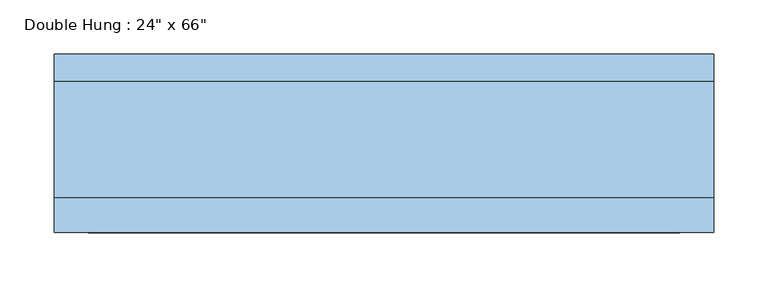
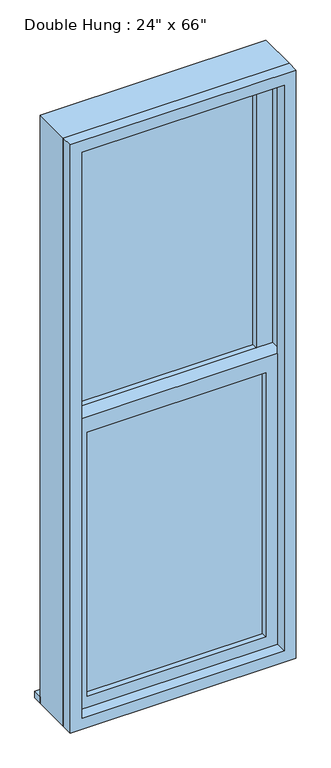
"""IFC4 building model written with IfcOpenShell, lengths in millimetres: window geometry."""

from ifc_helpers import new_model, si_unit, frame, origin, place, context, project, spatial, polyline, outline, extrude, source, transform, mapped, element, save


def window_dba66eb9(model_context):
    return source(origin(), model_context, "Body", "SweptSolid", [
        extrude(outline(polyline([(-241.3, -9.525), (241.3, -9.525), (241.3, -22.225), (-241.3, -22.225), (-241.3, -9.525)])), frame((0.0, 0.0, 368.3), z_axis=(0.0, 0.0, 1.0), x_axis=(1.0, 0.0, 0.0)), (0.0, 0.0, 1.0), 752.475),
        extrude(outline(polyline([(1165.225, -285.75), (323.85, -285.75), (323.85, 285.75), (1165.225, 285.75), (1165.225, -285.75)]), holes=[polyline([(1120.775, -241.3), (1120.775, 241.3), (368.3, 241.3), (368.3, -241.3), (1120.775, -241.3)])]), frame((0.0, -38.1, 0.0), z_axis=(0.0, 1.0, 0.0), x_axis=(0.0, 0.0, 1.0)), (0.0, 0.0, 1.0), 44.45),
        extrude(outline(polyline([(-304.8, 95.25), (304.8, 95.25), (304.8, 69.85), (-304.8, 69.85), (-304.8, 95.25)])), frame((0.0, 0.0, 304.8), z_axis=(0.0, 0.0, 1.0), x_axis=(1.0, 0.0, 0.0)), (0.0, 0.0, 1.0), 19.05),
        extrude(outline(polyline([(241.3, 22.225), (-241.3, 22.225), (-241.3, 34.925), (241.3, 34.925), (241.3, 22.225)])), frame((0.0, 0.0, 1165.225), z_axis=(0.0, 0.0, 1.0), x_axis=(1.0, 0.0, 0.0)), (0.0, 0.0, 1.0), 752.475),
        extrude(outline(polyline([(1962.15, -285.75), (1120.775, -285.75), (1120.775, 285.75), (1962.15, 285.75), (1962.15, -285.75)]), holes=[polyline([(1917.7, -241.3), (1917.7, 241.3), (1165.225, 241.3), (1165.225, -241.3), (1917.7, -241.3)])]), frame((0.0, 6.35, 0.0), z_axis=(0.0, 1.0, 0.0), x_axis=(0.0, 0.0, 1.0)), (0.0, 0.0, 1.0), 44.45),
        extrude(outline(polyline([(1981.2, -304.8), (304.8, -304.8), (304.8, 304.8), (1981.2, 304.8), (1981.2, -304.8)]), holes=[polyline([(1949.45, -273.05), (1949.45, 273.05), (336.55, 273.05), (336.55, -273.05), (1949.45, -273.05)])]), frame((0.0, -69.85, 0.0), z_axis=(0.0, 1.0, 0.0), x_axis=(0.0, 0.0, 1.0)), (0.0, 0.0, 1.0), 31.75),
        extrude(outline(polyline([(1981.2, 304.8), (1981.2, -304.8), (304.8, -304.8), (304.8, 304.8), (1981.2, 304.8)]), holes=[polyline([(1962.15, 285.75), (323.85, 285.75), (323.85, -285.75), (1962.15, -285.75), (1962.15, 285.75)])]), frame((0.0, -38.1, 0.0), z_axis=(0.0, 1.0, 0.0), x_axis=(0.0, 0.0, 1.0)), (0.0, 0.0, 1.0), 107.95),
    ])


if __name__ == "__main__":
    model = new_model("IFC4")
    model_context = context("Model", 3, world=origin())
    ifc_project = project(units=[si_unit("LENGTHUNIT", "METRE", prefix="MILLI")], contexts=[model_context])
    site = spatial("IfcSite", under=ifc_project)
    building = spatial("IfcBuilding", under=site)
    placement = place(None, origin())
    window_shape = window_dba66eb9(model_context)
    element("IfcWindow", 1, ObjectType="Double Hung : 24\" x 66\"", at=placement, inside=building, context=model_context, shape_type="MappedRepresentation", body=[
        mapped(window_shape, transform((0.0, 0.0, 0.0), x_axis=(1.0, 0.0, 0.0), y_axis=(0.0, 1.0, 0.0), z_axis=(0.0, 0.0, 1.0))),
    ])
    save(model, "model.ifc")
